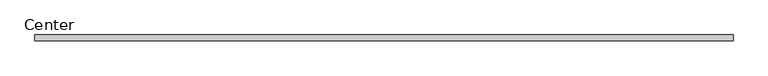
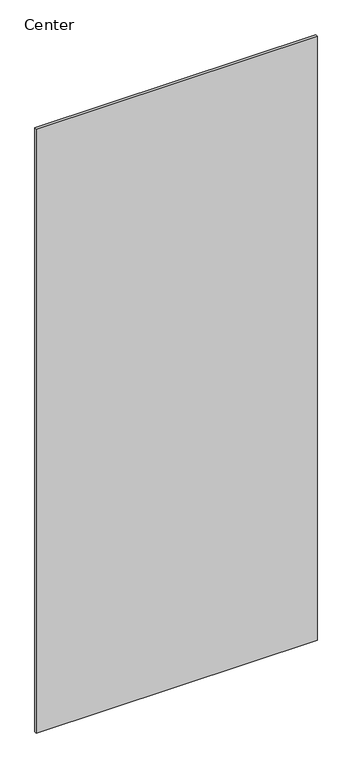
"""IFC4 building model written with IfcOpenShell, lengths in millimetres: plate geometry, Center."""

from ifc_helpers import new_model, si_unit, frame, origin, place, context, project, spatial, polyline, outline, extrude, source, transform, mapped, element, save


def center_1e78faca(model_context):
    return source(origin(), model_context, "Body", "SweptSolid", [
        extrude(outline(polyline([(571.2499998, 4.7625), (571.2499998, -4.7625), (-601.4124998, -4.7625), (-601.4124998, 4.7625), (571.2499998, 4.7625)])), frame((0.0, 0.0, 31.75), z_axis=(0.0, 0.0, 1.0), x_axis=(1.0, 0.0, 0.0)), (0.0, 0.0, 1.0), 2666.4999996),
    ])


if __name__ == "__main__":
    model = new_model("IFC4")
    model_context = context("Model", 3, world=origin())
    ifc_project = project(units=[si_unit("LENGTHUNIT", "METRE", prefix="MILLI")], contexts=[model_context])
    site = spatial("IfcSite", under=ifc_project)
    building = spatial("IfcBuilding", under=site)
    placement = place(None, origin())
    center_shape = center_1e78faca(model_context)
    element("IfcPlate", 1, ObjectType="Center", at=placement, inside=building, context=model_context, shape_type="MappedRepresentation", body=[
        mapped(center_shape, transform((0.0, 0.0, 0.0), x_axis=(1.0, 0.0, 0.0), y_axis=(0.0, 1.0, 0.0), z_axis=(0.0, 0.0, 1.0))),
    ])
    save(model, "model.ifc")
